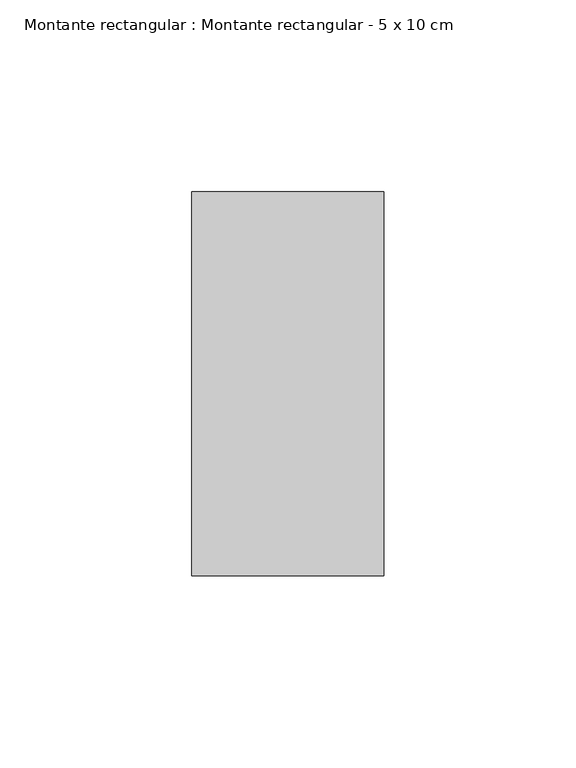
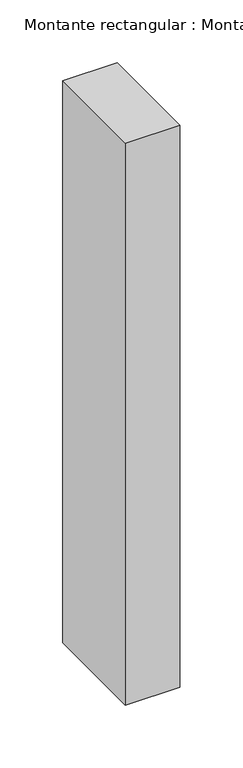
"""IFC4 building model written with IfcOpenShell, lengths in millimetres: member geometry, Montante rectangular : Montante rectangular - 5 x 10 cm."""

from ifc_helpers import new_model, si_unit, frame, origin, place, context, project, spatial, polyline, outline, extrude, source, transform, mapped, element, save


def montante_rectangular_montante_rectangular_5_x_10_cm_818edf1d(model_context):
    return source(origin(), model_context, "Body", "SweptSolid", [
        extrude(outline(polyline([(25.0, 50.0), (25.0, -50.0), (-25.0, -50.0), (-25.0, 50.0), (25.0, 50.0)])), frame((0.0, 0.0, -547.0), z_axis=(0.0, 0.0, 1.0), x_axis=(1.0, 0.0, 0.0)), (0.0, 0.0, 1.0), 547.0),
    ])


if __name__ == "__main__":
    model = new_model("IFC4")
    model_context = context("Model", 3, world=origin())
    ifc_project = project(units=[si_unit("LENGTHUNIT", "METRE", prefix="MILLI")], contexts=[model_context])
    site = spatial("IfcSite", under=ifc_project)
    building = spatial("IfcBuilding", under=site)
    placement = place(None, origin())
    montante_rectangular_montante_rectangular_5_x_10_cm_shape = montante_rectangular_montante_rectangular_5_x_10_cm_818edf1d(model_context)
    element("IfcMember", 1, ObjectType="Montante rectangular : Montante rectangular - 5 x 10 cm", at=placement, inside=building, context=model_context, shape_type="MappedRepresentation", body=[
        mapped(montante_rectangular_montante_rectangular_5_x_10_cm_shape, transform((0.0, 0.0, 0.0), x_axis=(1.0, 0.0, 0.0), y_axis=(0.0, 1.0, 0.0), z_axis=(0.0, 0.0, 1.0))),
    ])
    save(model, "model.ifc")
